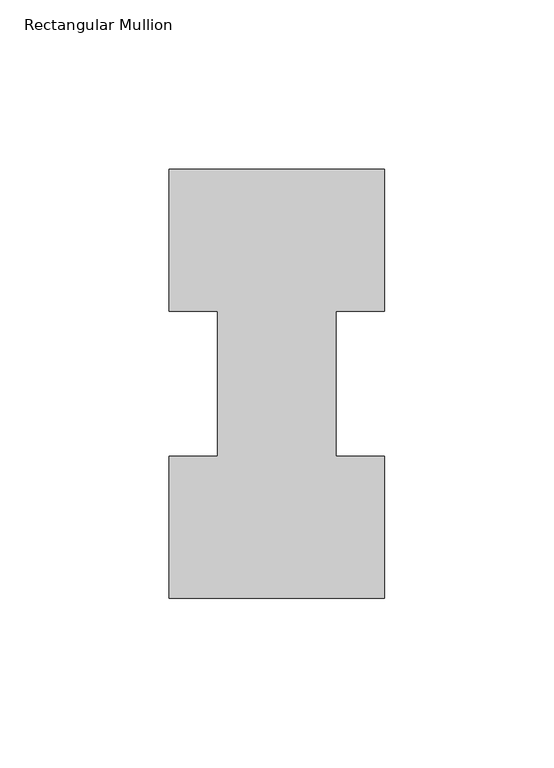
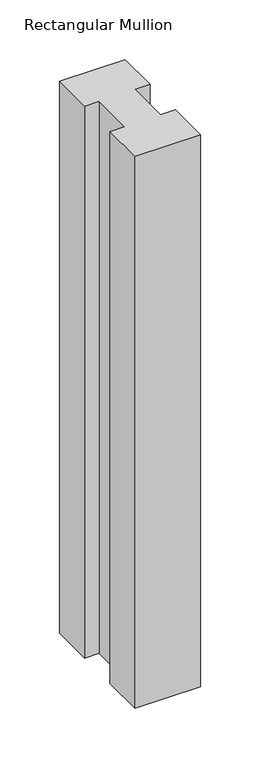
"""IFC4 building model written with IfcOpenShell, lengths in millimetres: member geometry, Rectangular Mullion."""

from ifc_helpers import new_model, si_unit, frame, origin, place, context, project, spatial, polyline, outline, extrude, source, transform, mapped, element, save


def rectangular_mullion_8e1fc766(model_context):
    return source(origin(), model_context, "Body", "SweptSolid", [
        extrude(outline(polyline([(-63.5, 0.26035), (-63.5, 42.08145), (-49.2125, 42.08145), (-49.2125, 84.93125), (-63.5, 84.93125), (-63.5, 126.75235), (0.0, 126.75235), (0.0, 84.93125), (-14.2748, 84.93125), (-14.2748, 42.08145), (0.0, 42.08145), (0.0, 0.26035), (-63.5, 0.26035)])), frame((0.0, 0.0, -565.1563826), z_axis=(0.0, 0.0, 1.0), x_axis=(1.0, 0.0, 0.0)), (0.0, 0.0, 1.0), 565.1563826),
    ])


if __name__ == "__main__":
    model = new_model("IFC4")
    model_context = context("Model", 3, world=origin())
    ifc_project = project(units=[si_unit("LENGTHUNIT", "METRE", prefix="MILLI")], contexts=[model_context])
    site = spatial("IfcSite", under=ifc_project)
    building = spatial("IfcBuilding", under=site)
    placement = place(None, origin())
    rectangular_mullion_shape = rectangular_mullion_8e1fc766(model_context)
    element("IfcMember", 1, ObjectType="Rectangular Mullion", at=placement, inside=building, context=model_context, shape_type="MappedRepresentation", body=[
        mapped(rectangular_mullion_shape, transform((0.0, 0.0, 0.0), x_axis=(1.0, 0.0, 0.0), y_axis=(0.0, 1.0, 0.0), z_axis=(0.0, 0.0, 1.0))),
    ])
    save(model, "model.ifc")
